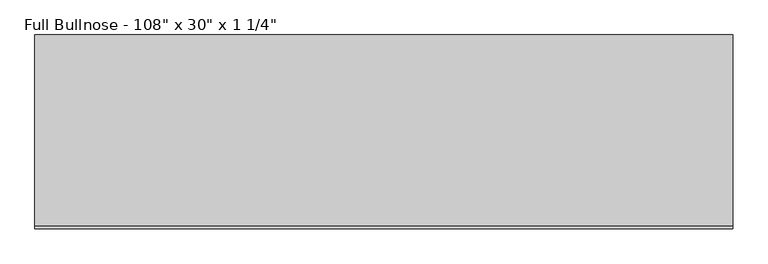
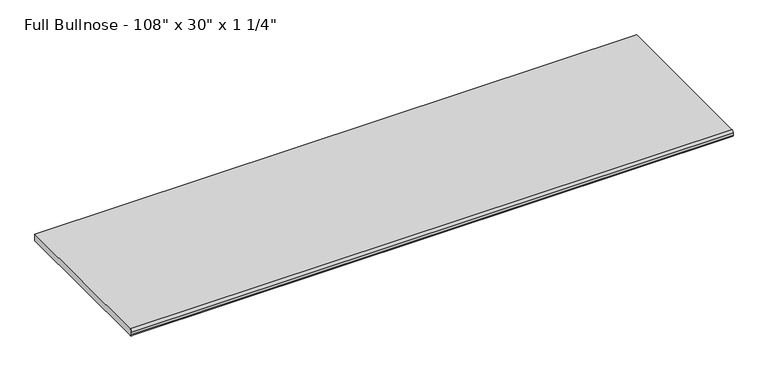
"""IFC4 building model written with IfcOpenShell, lengths in millimetres: furniture geometry."""

from ifc_helpers import new_model, si_unit, point, frame, frame_2d, origin, place, context, project, spatial, polyline, circle_curve, trimmed, segment, composite_curve, outline, extrude, source, transform, mapped, element, save


def furniture_591fab0c(model_context):
    return source(origin(), model_context, "Body", "SweptSolid", [
        extrude(outline(composite_curve([segment(polyline([(-727.075, 914.4), (25.4, 914.4), (25.4, 882.65), (-727.075, 882.65)]), True, "CONTINUOUS"), segment(trimmed(circle_curve(frame_2d((-727.075, 892.175)), 9.525), [point((-727.075, 882.65))], [point((-736.6, 892.175))], False, "CARTESIAN"), True, "CONTINUOUS"), segment(polyline([(-736.6, 892.175), (-736.6, 904.875)]), True, "CONTINUOUS"), segment(trimmed(circle_curve(frame_2d((-727.075, 904.875)), 9.525), [point((-736.6, 904.875))], [point((-727.075, 914.4))], False, "CARTESIAN"), True, "CONTINUOUS")], self_intersect=False)), frame((-1200.4622951, 0.0, 0.0), z_axis=(1.0, 0.0, 0.0), x_axis=(0.0, 1.0, 0.0)), (0.0, 0.0, 1.0), 2743.2),
    ])


if __name__ == "__main__":
    model = new_model("IFC4")
    model_context = context("Model", 3, world=origin())
    ifc_project = project(units=[si_unit("LENGTHUNIT", "METRE", prefix="MILLI")], contexts=[model_context])
    site = spatial("IfcSite", under=ifc_project)
    building = spatial("IfcBuilding", under=site)
    placement = place(None, origin())
    furniture_shape = furniture_591fab0c(model_context)
    element("IfcFurniture", 1, ObjectType="Full Bullnose - 108\" x 30\" x 1 1/4\"", at=placement, inside=building, context=model_context, shape_type="MappedRepresentation", body=[
        mapped(furniture_shape, transform((0.0, 0.0, 0.0), x_axis=(1.0, 0.0, 0.0), y_axis=(0.0, 1.0, 0.0), z_axis=(0.0, 0.0, 1.0))),
    ])
    save(model, "model.ifc")
